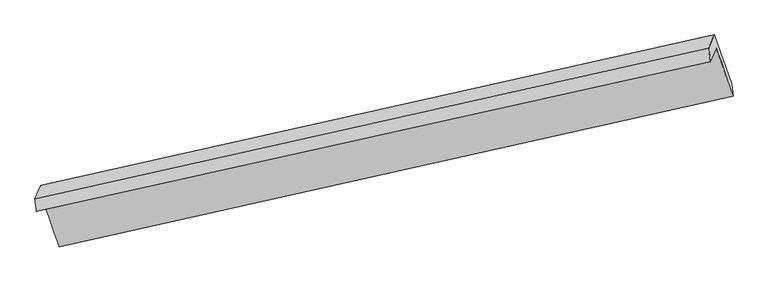
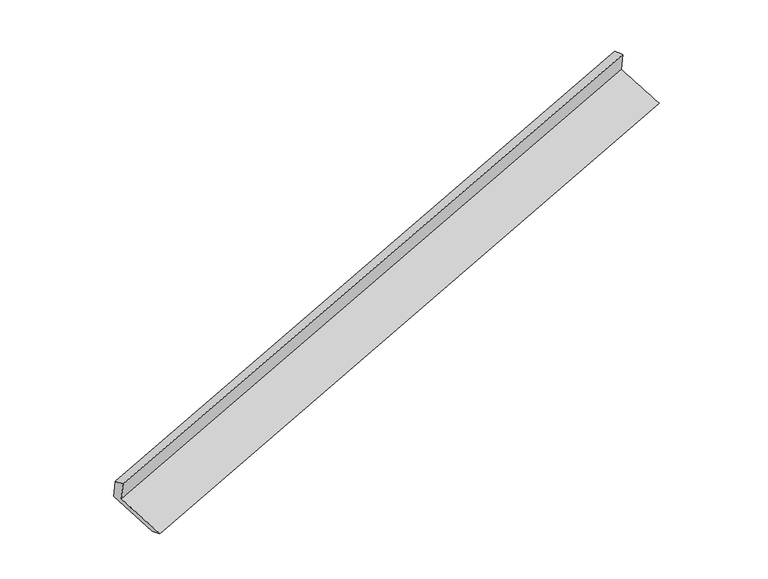
"""IFC4 building model written with IfcOpenShell, lengths in millimetres: proxy geometry."""

from ifc_helpers import new_model, si_unit, frame, origin, place, context, project, spatial, source, transform, mapped, element, save
from ifc_brep_helpers import plane_surface, spline_surface, advanced_brep


def generic_models_d76dcd2d(model_context):
    return source(origin(), model_context, "Body", "AdvancedBrep", [
        advanced_brep(
        [(-7570.4029579, -2515.7296074, 889.9300652), (-7490.671086, -2331.701214, 497.9240444), (1691.769221, -292.5440863, 3324.8651904), (1612.037349, -476.5724798, 3716.8712113), (-7591.1742527, -2342.8585932, 833.120781), (1585.9650708, -290.5972105, 3665.1355678), (-7511.8494241, -2159.7696928, 443.1160106), (1665.2898994, -107.50831, 3275.1307973), (-7281.6232491, -2829.3533161, 175.6047251), (1899.1417529, -776.2808104, 3008.737739), (-7261.0676539, -2999.4736684, 231.136355), (1920.3541683, -946.2542214, 3064.4719446)],
        [
            (0, 1),
            (1, 2),
            (2, 3),
            (3, 0),
            (4, 0),
            (3, 5),
            (5, 4),
            (6, 4),
            (5, 7),
            (7, 6),
            (8, 6),
            (7, 9),
            (9, 8),
            (10, 8),
            (9, 11),
            (11, 10),
            (1, 10),
            (11, 2),
        ],
        [
            plane_surface(frame((-7530.5370219, -2423.7154107, 693.9270548), z_axis=(0.3051212427727904, -0.8844194951762444, -0.35313337956214924), x_axis=(0.18107213946809816, 0.41793092406938703, -0.8902508764471697))),
            spline_surface(1, 1, [[(-7591.1742527, -2342.8585932, 833.120781), (1585.9650708, -290.5972105, 3665.1355678)], [(-7570.4029579, -2515.7296074, 889.9300652), (1612.037349, -476.5724798, 3716.8712113)]], [2, 2], [2, 2], [0.0, 1.0], [0.0, 1.0]),
            plane_surface(frame((-7551.5118384, -2251.314143, 638.1183958), z_axis=(-0.3065487422746682, 0.8841012736740708, 0.35269364397123076), x_axis=(-0.1810721394678938, -0.41793092406947147, 0.8902508764471717))),
            spline_surface(1, 1, [[(-7281.6232491, -2829.3533161, 175.6047251), (1899.1417529, -776.2808104, 3008.737739)], [(-7511.8494241, -2159.7696928, 443.1160106), (1665.2898994, -107.50831, 3275.1307973)]], [2, 2], [2, 2], [0.0, 1.0], [0.0, 1.0]),
            spline_surface(1, 1, [[(-7261.0676539, -2999.4736684, 231.136355), (1920.3541683, -946.2542214, 3064.4719446)], [(-7281.6232491, -2829.3533161, 175.6047251), (1899.1417529, -776.2808104, 3008.737739)]], [2, 2], [2, 2], [0.0, 1.0], [0.0, 1.0]),
            spline_surface(1, 1, [[(-7490.671086, -2331.701214, 497.9240444), (1691.769221, -292.5440863, 3324.8651904)], [(-7261.0676539, -2999.4736684, 231.136355), (1920.3541683, -946.2542214, 3064.4719446)]], [2, 2], [2, 2], [0.0, 1.0], [0.0, 1.0]),
            plane_surface(frame((1729.0929102, -481.6261864, 3342.5354084), z_axis=(0.9336800346529998, 0.21132107441916376, 0.28911069920828525), x_axis=(-0.30895707339190154, 0.8835593620197769, 0.35194940060797963))),
            plane_surface(frame((-7451.1314373, -2529.8143486, 511.8053302), z_axis=(-0.9352514882590963, -0.20678915429402345, -0.28730280084870075), x_axis=(-0.18107213946795267, -0.417930924069391, 0.8902508764471976))),
        ],
        [
            (0, [[1, 2, 3, 4]]),
            (1, [[5, -4, 6, 7]]),
            (2, [[8, -7, 9, 10]]),
            (3, [[11, -10, 12, 13]]),
            (4, [[14, -13, 15, 16]]),
            (5, [[17, -16, 18, -2]]),
            (6, [[-12, -9, -6, -3, -18, -15]]),
            (7, [[-1, -5, -8, -11, -14, -17]]),
        ],
    ),
    ])


if __name__ == "__main__":
    model = new_model("IFC4")
    model_context = context("Model", 3, world=origin())
    ifc_project = project(units=[si_unit("LENGTHUNIT", "METRE", prefix="MILLI")], contexts=[model_context])
    site = spatial("IfcSite", under=ifc_project)
    building = spatial("IfcBuilding", under=site)
    placement = place(None, origin())
    generic_models_shape = generic_models_d76dcd2d(model_context)
    element("IfcBuildingElementProxy", 1, Name="Generic Models", at=placement, inside=building, context=model_context, shape_type="MappedRepresentation", body=[
        mapped(generic_models_shape, transform((0.0, 0.0, 0.0), x_axis=(1.0, 0.0, 0.0), y_axis=(0.0, 1.0, 0.0), z_axis=(0.0, 0.0, 1.0))),
    ])
    save(model, "model.ifc")
